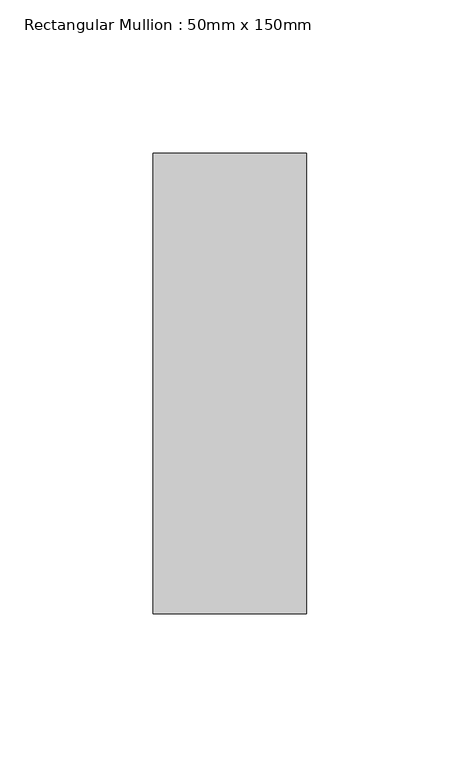
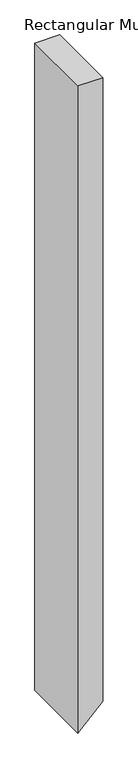
"""IFC4 building model written with IfcOpenShell, lengths in millimetres: member geometry, Rectangular Mullion : 50mm x 150mm."""

from ifc_helpers import new_model, si_unit, frame, origin, place, context, project, spatial, polyline, outline, extrude, source, transform, mapped, element, save


def rectangular_mullion_50mm_x_150mm_b6fe6b4a(model_context):
    return source(origin(), model_context, "Body", "SweptSolid", [
        extrude(outline(polyline([(0.0, 25.0), (0.0, -25.0), (-1380.2943725, -25.0), (-1330.2943725, 25.0), (0.0, 25.0)])), frame((0.0, -75.0, 0.0), z_axis=(0.0, 1.0, 0.0), x_axis=(0.0, 0.0, 1.0)), (0.0, 0.0, 1.0), 150.0),
    ])


if __name__ == "__main__":
    model = new_model("IFC4")
    model_context = context("Model", 3, world=origin())
    ifc_project = project(units=[si_unit("LENGTHUNIT", "METRE", prefix="MILLI")], contexts=[model_context])
    site = spatial("IfcSite", under=ifc_project)
    building = spatial("IfcBuilding", under=site)
    placement = place(None, origin())
    rectangular_mullion_50mm_x_150mm_shape = rectangular_mullion_50mm_x_150mm_b6fe6b4a(model_context)
    element("IfcMember", 1, ObjectType="Rectangular Mullion : 50mm x 150mm", at=placement, inside=building, context=model_context, shape_type="MappedRepresentation", body=[
        mapped(rectangular_mullion_50mm_x_150mm_shape, transform((0.0, 0.0, 0.0), x_axis=(1.0, 0.0, 0.0), y_axis=(0.0, 1.0, 0.0), z_axis=(0.0, 0.0, 1.0))),
    ])
    save(model, "model.ifc")
